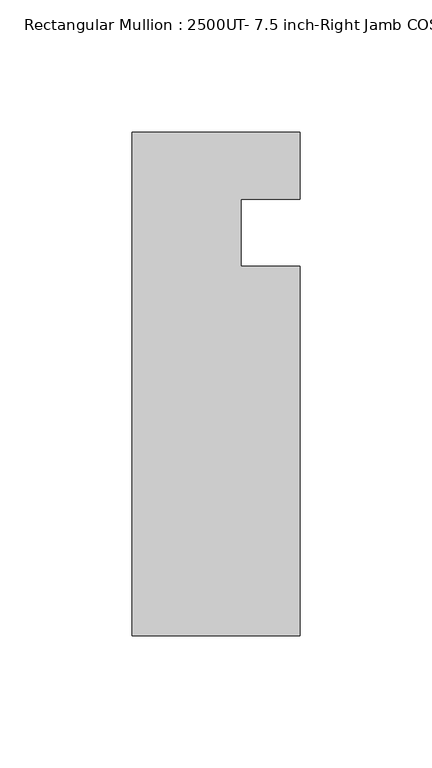
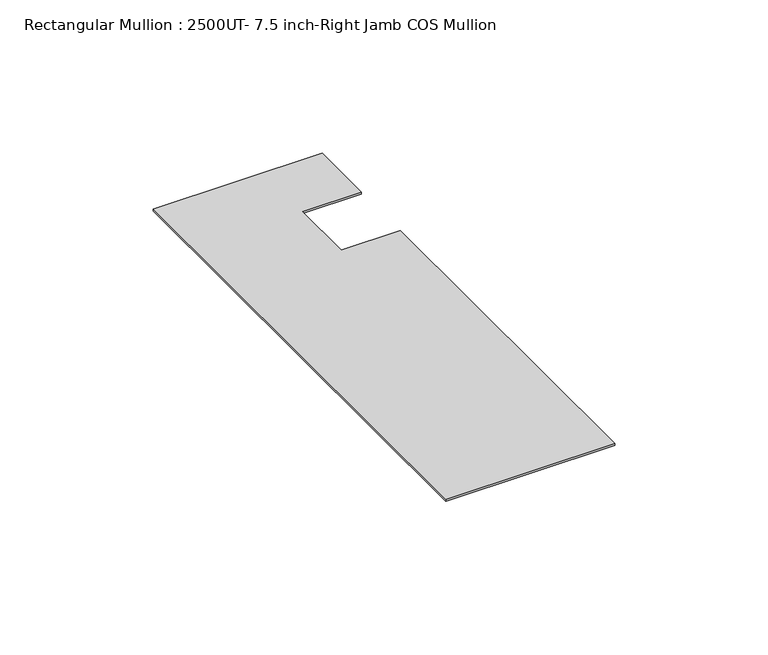
"""IFC4 building model written with IfcOpenShell, lengths in millimetres: member geometry, Rectangular Mullion : 2500UT- 7.5 inch-Right Jamb COS Mullion."""

from ifc_helpers import new_model, si_unit, frame, origin, place, context, project, spatial, polyline, outline, extrude, source, transform, mapped, element, save


def rectangular_mullion_2500ut_7_5_inch_right_jamb_cos_mullion_fb8477c3(model_context):
    return source(origin(), model_context, "Body", "SweptSolid", [
        extrude(outline(polyline([(31.734125, -152.399995), (-31.765875, -152.399995), (-31.765875, 38.100005), (31.734125, 38.100005), (31.734125, 12.7260615), (9.509125, 12.7260615), (9.509125, -12.7), (31.734125, -12.7), (31.734125, -152.399995)])), frame((0.0, 0.0, -0.7941147), z_axis=(0.0, 0.0, 1.0), x_axis=(1.0, 0.0, 0.0)), (0.0, 0.0, 1.0), 0.7941147),
    ])


if __name__ == "__main__":
    model = new_model("IFC4")
    model_context = context("Model", 3, world=origin())
    ifc_project = project(units=[si_unit("LENGTHUNIT", "METRE", prefix="MILLI")], contexts=[model_context])
    site = spatial("IfcSite", under=ifc_project)
    building = spatial("IfcBuilding", under=site)
    placement = place(None, origin())
    rectangular_mullion_2500ut_7_5_inch_right_jamb_cos_mullion_shape = rectangular_mullion_2500ut_7_5_inch_right_jamb_cos_mullion_fb8477c3(model_context)
    element("IfcMember", 1, ObjectType="Rectangular Mullion : 2500UT- 7.5 inch-Right Jamb COS Mullion", at=placement, inside=building, context=model_context, shape_type="MappedRepresentation", body=[
        mapped(rectangular_mullion_2500ut_7_5_inch_right_jamb_cos_mullion_shape, transform((0.0, 0.0, 0.0), x_axis=(1.0, 0.0, 0.0), y_axis=(0.0, 1.0, 0.0), z_axis=(0.0, 0.0, 1.0))),
    ])
    save(model, "model.ifc")
